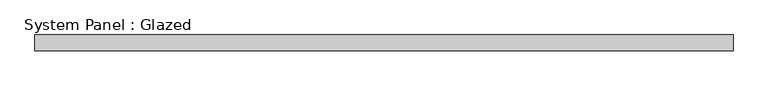
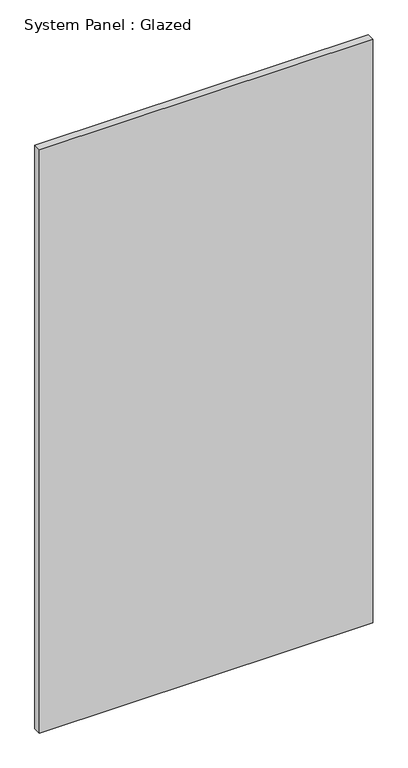
"""IFC4 building model written with IfcOpenShell, lengths in millimetres: plate geometry, System Panel : Glazed."""

from ifc_helpers import new_model, si_unit, origin, origin_with_axes, place, context, project, spatial, polyline, outline, extrude, source, transform, mapped, element, save


def system_panel_glazed_f23ca9de(model_context):
    return source(origin(), model_context, "Body", "SweptSolid", [
        extrude(outline(polyline([(556.2500001, 24.5), (-556.2500001, 24.5), (-556.2500001, 49.5), (556.2500001, 49.5), (556.2500001, 24.5)])), origin_with_axes(), (0.0, 0.0, 1.0), 2058.4195363),
    ])


if __name__ == "__main__":
    model = new_model("IFC4")
    model_context = context("Model", 3, world=origin())
    ifc_project = project(units=[si_unit("LENGTHUNIT", "METRE", prefix="MILLI")], contexts=[model_context])
    site = spatial("IfcSite", under=ifc_project)
    building = spatial("IfcBuilding", under=site)
    placement = place(None, origin())
    system_panel_glazed_shape = system_panel_glazed_f23ca9de(model_context)
    element("IfcPlate", 1, ObjectType="System Panel : Glazed", at=placement, inside=building, context=model_context, shape_type="MappedRepresentation", body=[
        mapped(system_panel_glazed_shape, transform((0.0, 0.0, 0.0), x_axis=(1.0, 0.0, 0.0), y_axis=(0.0, 1.0, 0.0), z_axis=(0.0, 0.0, 1.0))),
    ])
    save(model, "model.ifc")
